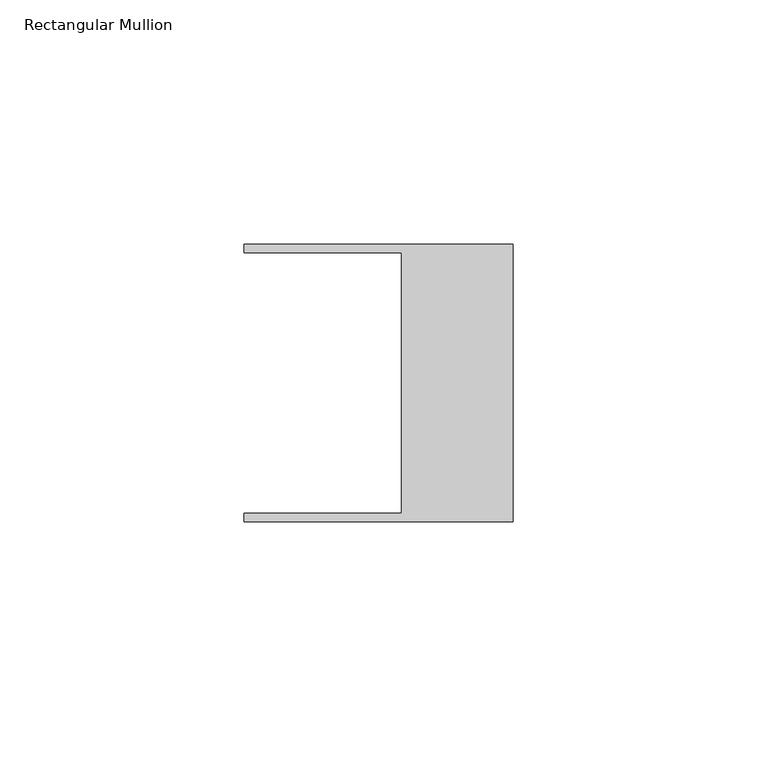
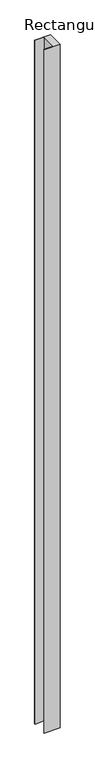
"""IFC4 building model written with IfcOpenShell, lengths in millimetres: member geometry, Rectangular Mullion."""

from ifc_helpers import new_model, si_unit, frame, origin, place, context, project, spatial, polyline, outline, extrude, source, transform, mapped, element, save


def rectangular_mullion_faee2d44(model_context):
    return source(origin(), model_context, "Body", "SweptSolid", [
        extrude(outline(polyline([(-55.118, 26.67), (-55.118, 28.448), (0.0, 28.448), (0.0, -28.448), (-55.118, -28.448), (-55.118, -26.67), (-22.86, -26.67), (-22.86, 26.67), (-55.118, 26.67)])), frame((0.0, 0.0, -2517.7774314), z_axis=(0.0, 0.0, 1.0), x_axis=(1.0, 0.0, 0.0)), (0.0, 0.0, 1.0), 2517.7774314),
    ])


if __name__ == "__main__":
    model = new_model("IFC4")
    model_context = context("Model", 3, world=origin())
    ifc_project = project(units=[si_unit("LENGTHUNIT", "METRE", prefix="MILLI")], contexts=[model_context])
    site = spatial("IfcSite", under=ifc_project)
    building = spatial("IfcBuilding", under=site)
    placement = place(None, origin())
    rectangular_mullion_shape = rectangular_mullion_faee2d44(model_context)
    element("IfcMember", 1, ObjectType="Rectangular Mullion", at=placement, inside=building, context=model_context, shape_type="MappedRepresentation", body=[
        mapped(rectangular_mullion_shape, transform((0.0, 0.0, 0.0), x_axis=(1.0, 0.0, 0.0), y_axis=(0.0, 1.0, 0.0), z_axis=(0.0, 0.0, 1.0))),
    ])
    save(model, "model.ifc")
